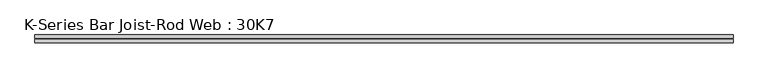
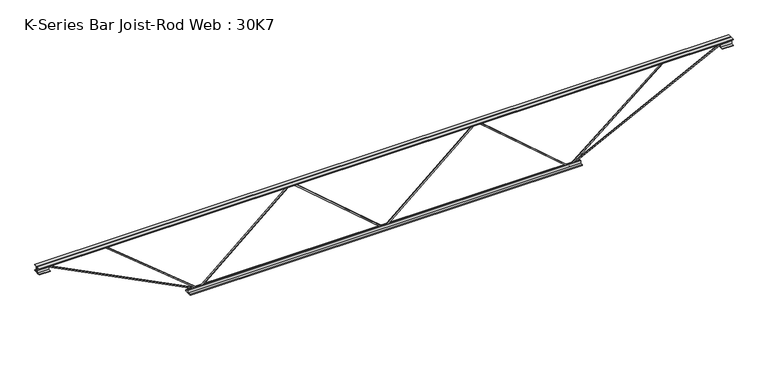
"""IFC4 building model written with IfcOpenShell, lengths in millimetres: beam geometry, K-Series Bar Joist-Rod Web : 30K7."""

from ifc_helpers import new_model, si_unit, frame, origin, place, context, project, spatial, polyline, outline, extrude, source, transform, mapped, element, save


def k_series_bar_joist_rod_web_30k7_10a2927d(model_context):
    return source(origin(), model_context, "Body", "SweptSolid", [
        extrude(outline(polyline([(-369.8875, 0.0), (-379.4125, 0.0), (-379.4125, 4.9447087), (369.8875, 873.9560434), (369.8875, 876.766626), (-379.4125, 1745.7779607), (-379.4125, 1750.7226694), (-369.8875, 1750.7226694), (-369.8875, 1749.3173781), (379.4125, 880.3060434), (379.4125, 870.416626), (-369.8875, 1.4052913), (-369.8875, 0.0)])), frame((0.0, -4.7625, 0.0), z_axis=(0.0, 1.0, 0.0), x_axis=(0.0, 0.0, 1.0)), (0.0, 0.0, 1.0), 9.525),
        extrude(outline(polyline([(-369.8875, -1750.7226694), (-379.4125, -1750.7226694), (-379.4125, -1745.7779607), (369.8875, -876.766626), (369.8875, -873.9560434), (-379.4125, -4.9447087), (-379.4125, 0.0), (-369.8875, 0.0), (-369.8875, -1.4052913), (379.4125, -870.416626), (379.4125, -880.3060434), (-369.8875, -1749.3173781), (-369.8875, -1750.7226694)])), frame((0.0, -4.7625, 0.0), z_axis=(0.0, 1.0, 0.0), x_axis=(0.0, 0.0, 1.0)), (0.0, 0.0, 1.0), 9.525),
        extrude(outline(polyline([(4.7625, 381.0), (36.5125, 381.0), (36.5125, 374.65), (11.1125, 374.65), (11.1125, 349.25), (4.7625, 349.25), (4.7625, 381.0)])), frame((-3274.7226694, 0.0, 0.0), z_axis=(1.0, 0.0, 0.0), x_axis=(0.0, 1.0, 0.0)), (0.0, 0.0, 1.0), 6549.4453387),
        extrude(outline(polyline([(-4.7625, 381.0), (-4.7625, 349.25), (-11.1125, 349.25), (-11.1125, 374.65), (-36.5125, 374.65), (-36.5125, 381.0), (-4.7625, 381.0)])), frame((-3274.7226694, 0.0, 0.0), z_axis=(1.0, 0.0, 0.0), x_axis=(0.0, 1.0, 0.0)), (0.0, 0.0, 1.0), 6549.4453387),
        extrude(outline(polyline([(-4.7625, 317.5), (-36.5125, 317.5), (-36.5125, 323.85), (-11.1125, 323.85), (-11.1125, 349.25), (-4.7625, 349.25), (-4.7625, 317.5)])), frame((-3274.7226694, 0.0, 0.0), z_axis=(1.0, 0.0, 0.0), x_axis=(0.0, 1.0, 0.0)), (0.0, 0.0, 1.0), 101.6),
        extrude(outline(polyline([(36.5125, 317.5), (4.7625, 317.5), (4.7625, 349.25), (11.1125, 349.25), (11.1125, 323.85), (36.5125, 323.85), (36.5125, 317.5)])), frame((-3274.7226694, 0.0, 0.0), z_axis=(1.0, 0.0, 0.0), x_axis=(0.0, 1.0, 0.0)), (0.0, 0.0, 1.0), 101.6),
        extrude(outline(polyline([(4.7625, 317.5), (4.7625, 349.25), (11.1125, 349.25), (11.1125, 323.85), (36.5125, 323.85), (36.5125, 317.5), (4.7625, 317.5)])), frame((3173.1226694, 0.0, 0.0), z_axis=(1.0, 0.0, 0.0), x_axis=(0.0, 1.0, 0.0)), (0.0, 0.0, 1.0), 101.6),
        extrude(outline(polyline([(-4.7625, 317.5), (-36.5125, 317.5), (-36.5125, 323.85), (-11.1125, 323.85), (-11.1125, 349.25), (-4.7625, 349.25), (-4.7625, 317.5)])), frame((3173.1226694, 0.0, 0.0), z_axis=(1.0, 0.0, 0.0), x_axis=(0.0, 1.0, 0.0)), (0.0, 0.0, 1.0), 101.6),
        extrude(outline(polyline([(4.7625, -381.0), (4.7625, -349.25), (11.1125, -349.25), (11.1125, -374.65), (36.5125, -374.65), (36.5125, -381.0), (4.7625, -381.0)])), frame((-1852.3226694, 0.0, 0.0), z_axis=(1.0, 0.0, 0.0), x_axis=(0.0, 1.0, 0.0)), (0.0, 0.0, 1.0), 3704.6453387),
        extrude(outline(polyline([(-4.7625, -381.0), (-36.5125, -381.0), (-36.5125, -374.65), (-11.1125, -374.65), (-11.1125, -349.25), (-4.7625, -349.25), (-4.7625, -381.0)])), frame((-1852.3226694, 0.0, 0.0), z_axis=(1.0, 0.0, 0.0), x_axis=(0.0, 1.0, 0.0)), (0.0, 0.0, 1.0), 3704.6453387),
        extrude(outline(polyline([(0.0, -9.525), (0.0, 0.0), (1596.011582, 0.0), (1596.011582, -9.525), (0.0, -9.525)])), frame((-3175.2827876, 4.7625, 345.0055571), z_axis=(0.4535681370653387, 0.0, 0.8912216026550738), x_axis=(0.8912216026550738, 0.0, -0.4535681370653387)), (0.0, 0.0, 1.0), 9.525),
        extrude(outline(polyline([(0.0, -9.525), (0.0, 0.0), (1135.9087447, 0.0), (1135.9087447, -9.525), (0.0, -9.525)])), frame((-2629.1190839, 4.7625, 345.5798915), z_axis=(0.6372871090076988, 0.0, 0.7706264598964984), x_axis=(0.7706264598964984, 0.0, -0.6372871090076988)), (0.0, 0.0, 1.0), 9.525),
        extrude(outline(polyline([(0.0, -9.525), (0.0, 0.0), (1596.011582, 0.0), (1596.011582, -9.525), (0.0, -9.525)])), frame((3175.2827876, -4.7625, 345.0055571), z_axis=(-0.4535681370653314, 0.0, 0.8912216026550775), x_axis=(-0.8912216026550775, 0.0, -0.4535681370653314)), (0.0, 0.0, 1.0), 9.525),
        extrude(outline(polyline([(0.0, -9.525), (0.0, 0.0), (1135.9087447, 0.0), (1135.9087447, -9.525), (0.0, -9.525)])), frame((2629.1190839, -4.7625, 345.5798915), z_axis=(-0.6372871090076965, 0.0, 0.7706264598965005), x_axis=(-0.7706264598965005, 0.0, -0.6372871090076965)), (0.0, 0.0, 1.0), 9.525),
    ])


if __name__ == "__main__":
    model = new_model("IFC4")
    model_context = context("Model", 3, world=origin())
    ifc_project = project(units=[si_unit("LENGTHUNIT", "METRE", prefix="MILLI")], contexts=[model_context])
    site = spatial("IfcSite", under=ifc_project)
    building = spatial("IfcBuilding", under=site)
    placement = place(None, origin())
    k_series_bar_joist_rod_web_30k7_shape = k_series_bar_joist_rod_web_30k7_10a2927d(model_context)
    element("IfcBeam", 1, ObjectType="K-Series Bar Joist-Rod Web : 30K7", at=placement, inside=building, context=model_context, shape_type="MappedRepresentation", body=[
        mapped(k_series_bar_joist_rod_web_30k7_shape, transform((0.0, 0.0, 0.0), x_axis=(1.0, 0.0, 0.0), y_axis=(0.0, 1.0, 0.0), z_axis=(0.0, 0.0, 1.0))),
    ])
    save(model, "model.ifc")
